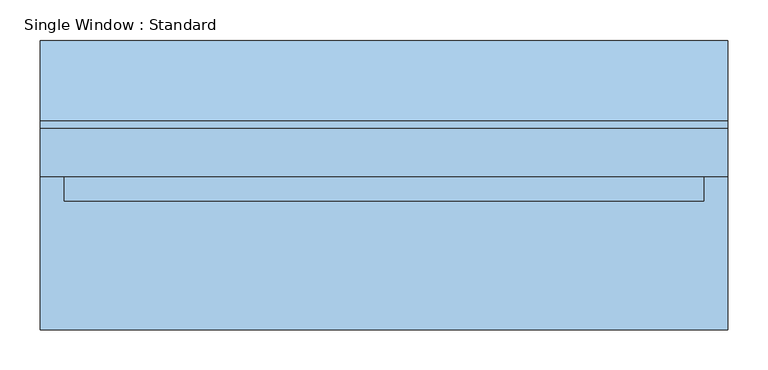
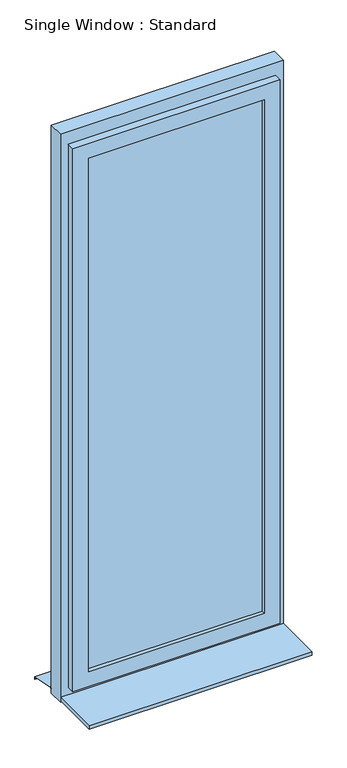
"""IFC4 building model written with IfcOpenShell, lengths in millimetres: window geometry, Single Window : Standard."""

from ifc_helpers import new_model, si_unit, frame, origin, place, context, project, spatial, polyline, outline, extrude, faceted_brep, source, transform, mapped, element, save


def single_window_standard_25c282db(model_context):
    return source(origin(), model_context, "Body", "SolidModel", [
        extrude(outline(polyline([(337.5, -5.0), (-337.5, -5.0), (-337.5, 25.0), (337.5, 25.0), (337.5, -5.0)])), frame((0.0, 0.0, 1110.0), z_axis=(0.0, 0.0, 1.0), x_axis=(1.0, 0.0, 0.0)), (0.0, 0.0, 1.0), 2080.0),
        faceted_brep([(397.5, 10.0, 3250.0), (397.5, -20.0, 3250.0), (397.5, -20.0, 1050.0), (397.5, 10.0, 1050.0), (367.5, 40.0, 3220.0), (367.5, 10.0, 3220.0), (367.5, 10.0, 1080.0), (367.5, 40.0, 1080.0), (337.5, -20.0, 3190.0), (337.5, 40.0, 3190.0), (337.5, 40.0, 1110.0), (337.5, -20.0, 1110.0), (-397.5, -20.0, 1050.0), (-397.5, 10.0, 1050.0), (-367.5, 10.0, 1080.0), (-367.5, 40.0, 1080.0), (-337.5, 40.0, 1110.0), (-337.5, -20.0, 1110.0), (-397.5, -20.0, 3250.0), (-397.5, 10.0, 3250.0), (-367.5, 10.0, 3220.0), (-367.5, 40.0, 3220.0), (-337.5, 40.0, 3190.0), (-337.5, -20.0, 3190.0)], [[[0, 1, 2, 3]], [[4, 5, 6, 7]], [[8, 9, 10, 11]], [[3, 2, 12, 13]], [[7, 6, 14, 15]], [[11, 10, 16, 17]], [[13, 12, 18, 19]], [[15, 14, 20, 21]], [[17, 16, 22, 23]], [[19, 18, 1, 0]], [[3, 13, 19, 0], [5, 20, 14, 6]], [[21, 20, 5, 4]], [[7, 15, 21, 4], [9, 22, 16, 10]], [[23, 22, 9, 8]], [[1, 18, 12, 2], [11, 17, 23, 8]]]),
        extrude(outline(polyline([(3300.0, 427.5), (3300.0, -427.5), (1000.0, -427.5), (1000.0, 427.5), (3300.0, 427.5)]), holes=[polyline([(3220.0, 367.5), (1080.0, 367.5), (1080.0, -367.5), (3220.0, -367.5), (3220.0, 367.5)])]), frame((0.0, 10.0, 0.0), z_axis=(0.0, 1.0, 0.0), x_axis=(0.0, 0.0, 1.0)), (0.0, 0.0, 1.0), 60.0),
        extrude(outline(polyline([(80.0221543, 1020.0), (180.0, 1000.0), (180.0, 990.0), (178.0, 990.0), (178.0, 998.3604634), (79.8240723, 1018.0), (70.0, 1018.0), (70.0, 1020.0), (80.0221543, 1020.0)])), frame((-427.5, 0.0, 0.0), z_axis=(1.0, 0.0, 0.0), x_axis=(0.0, 1.0, 0.0)), (0.0, 0.0, 1.0), 855.0),
        extrude(outline(polyline([(-427.5, -180.0), (-427.5, 10.0), (427.5, 10.0), (427.5, -180.0), (-427.5, -180.0)])), frame((0.0, 0.0, 1005.0), z_axis=(0.0, 0.0, 1.0), x_axis=(1.0, 0.0, 0.0)), (0.0, 0.0, 1.0), 15.0),
    ])


if __name__ == "__main__":
    model = new_model("IFC4")
    model_context = context("Model", 3, world=origin())
    ifc_project = project(units=[si_unit("LENGTHUNIT", "METRE", prefix="MILLI")], contexts=[model_context])
    site = spatial("IfcSite", under=ifc_project)
    building = spatial("IfcBuilding", under=site)
    placement = place(None, origin())
    single_window_standard_shape = single_window_standard_25c282db(model_context)
    element("IfcWindow", 1, ObjectType="Single Window : Standard", at=placement, inside=building, context=model_context, shape_type="MappedRepresentation", body=[
        mapped(single_window_standard_shape, transform((0.0, 0.0, 0.0), x_axis=(1.0, 0.0, 0.0), y_axis=(0.0, 1.0, 0.0), z_axis=(0.0, 0.0, 1.0))),
    ])
    save(model, "model.ifc")
